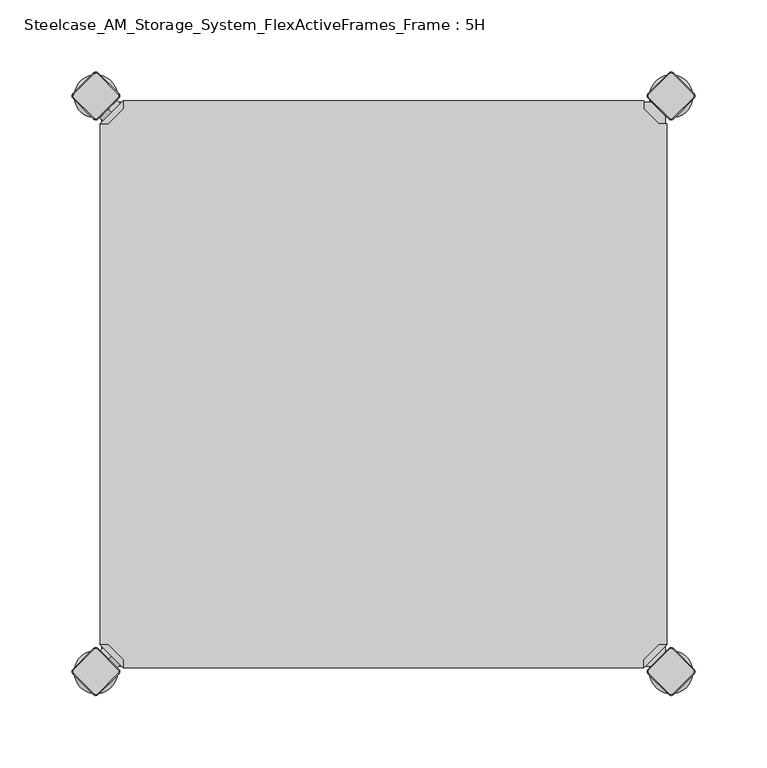
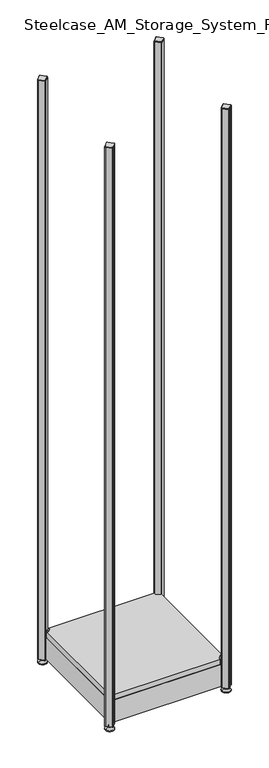
"""IFC4 building model written with IfcOpenShell, lengths in millimetres: furniture geometry, Steelcase_AM_Storage_System_FlexActiveFrames_Frame : 5H."""

from ifc_helpers import new_model, si_unit, point, frame, frame_2d, origin, place, context, project, spatial, polyline, circle_curve, trimmed, segment, composite_curve, outline, extrude, source, transform, mapped, element, save
from ifc_brep_helpers import plane_surface, cylinder_surface, revolved_surface, advanced_brep


def steelcase_am_storage_system_flexactiveframes_frame_5h_c53b9651(model_context):
    return source(origin(), model_context, "Body", "SolidModel", [
        advanced_brep(
        [(381.0796898, -397.0, 117.0), (397.0, -381.0796898, 117.0), (391.3431458, -381.0796898, 117.0), (381.0796898, -391.3431458, 117.0), (381.0796898, -397.0, 98.0), (381.0796898, -397.0, 97.0), (397.0, -381.0796898, 97.0), (397.0, -381.0796898, 98.0), (391.3431458, -381.0796898, 98.0), (381.0796898, -391.3431458, 98.0), (368.1906025, -352.2702923, 98.0), (352.2702923, -368.1906025, 98.0), (352.2702923, -368.1906025, 97.0), (368.1906025, -352.2702923, 97.0)],
        [
            (0, 1),
            (1, 2),
            (2, 3),
            (3, 0),
            (0, 4),
            (4, 5),
            (5, 6),
            (6, 7),
            (7, 1),
            (2, 8),
            (8, 9),
            (9, 3),
            (9, 4),
            (7, 8),
            (7, 10),
            (10, 11, circle_curve(frame((360.2304474, -360.2304474, 98.0), z_axis=(0.0, 0.0, 1.0), x_axis=(-1.0, 0.0, 0.0)), 11.2573593)),
            (11, 4),
            (5, 12),
            (12, 13, circle_curve(frame((360.2304474, -360.2304474, 97.0), z_axis=(0.0, 0.0, -1.0), x_axis=(-1.0, 0.0, 0.0)), 11.2573593)),
            (13, 6),
            (13, 10),
            (12, 11),
        ],
        [
            plane_surface(frame((438.8756299, -339.2040599, 117.0), z_axis=(0.0, 0.0, 1.0000000000000002), x_axis=(0.7071067811865511, 0.707106781186544, 0.0))),
            plane_surface(frame((381.0796898, -397.0, 117.0), z_axis=(0.707106781186544, -0.7071067811865511, 0.0), x_axis=(0.0, 0.0, -1.0))),
            plane_surface(frame((391.3431458, -381.0796898, 117.0), z_axis=(-0.7071067811865527, 0.7071067811865424, 0.0), x_axis=(0.0, 0.0, -1.0))),
            plane_surface(frame((381.0796898, -391.3431458, 117.0), z_axis=(-1.0, 0.0, 0.0), x_axis=(0.0, 0.0, -1.0))),
            plane_surface(frame((397.0, -381.0796898, 117.0), z_axis=(0.0, 1.0, 0.0), x_axis=(0.0, 0.0, -1.0))),
            plane_surface(frame((397.0, -381.0796898, 98.0), z_axis=(0.0, 0.0, 1.0), x_axis=(0.7071067811865439, 0.7071067811865511, 0.0))),
            plane_surface(frame((397.0, -381.0796898, 97.0), z_axis=(0.0, 0.0, -1.0), x_axis=(-0.7071067811865439, -0.7071067811865511, 0.0))),
            plane_surface(frame((397.0, -381.0796898, 98.0), z_axis=(0.7071067811865446, 0.7071067811865506, 0.0), x_axis=(0.0, 0.0, -1.0))),
            cylinder_surface(frame((360.2304474, -360.2304474, 97.0), z_axis=(0.0, 0.0, 1.0), x_axis=(-1.0, 0.0, 0.0)), 11.2573593),
            plane_surface(frame((352.2702923, -368.1906025, 98.0), z_axis=(-0.7071067811865435, -0.7071067811865517, 0.0), x_axis=(0.0, 0.0, -1.0))),
        ],
        [
            (0, [[1, 2, 3, 4]]),
            (1, [[-1, 5, 6, 7, 8, 9]]),
            (2, [[-3, 10, 11, 12]]),
            (3, [[-4, -12, 13, -5]]),
            (4, [[-2, -9, 14, -10]]),
            (5, [[15, 16, 17, -13, -11, -14]]),
            (6, [[18, 19, 20, -7]]),
            (7, [[-15, -8, -20, 21]]),
            (8, [[-16, -21, -19, 22]]),
            (9, [[-17, -22, -18, -6]]),
        ],
    ),
        advanced_brep(
        [(10.9601551, -389.0398449, 98.5), (10.9601551, -389.0398449, 107.0), (10.9601551, -389.0398449, 115.5), (8.8388348, -391.1611652, 98.5), (8.8388348, -391.1611652, 115.5), (8.8388348, -391.1611652, 107.0)],
        [
            (0, 1),
            (1, 2),
            (2, 0, circle_curve(frame((10.9601551, -389.0398449, 107.0), z_axis=(0.7071067811865509, 0.7071067811865441, 0.0), x_axis=(0.0, 0.0, 1.0)), 8.5)),
            (0, 2, circle_curve(frame((10.9601551, -389.0398449, 107.0), z_axis=(0.7071067811865509, 0.7071067811865441, 0.0), x_axis=(0.0, 0.0, 1.0)), 8.5)),
            (3, 0),
            (2, 4),
            (4, 3, circle_curve(frame((8.8388348, -391.1611652, 107.0), z_axis=(0.7071067811865509, 0.7071067811865441, 0.0), x_axis=(0.0, 0.0, 1.0)), 8.5)),
            (3, 4, circle_curve(frame((8.8388348, -391.1611652, 107.0), z_axis=(0.7071067811865509, 0.7071067811865441, 0.0), x_axis=(0.0, 0.0, 1.0)), 8.5)),
            (5, 3),
            (4, 5),
        ],
        [
            plane_surface(frame((10.9601551, -389.0398449, 107.0), z_axis=(0.7071067811865506, 0.7071067811865446, 0.0), x_axis=(0.0, 0.0, 1.0))),
            cylinder_surface(frame((8.8388348, -391.1611652, 107.0), z_axis=(-0.7071067811865509, -0.7071067811865441, 0.0), x_axis=(0.0, 0.0, 1.0)), 8.5),
            plane_surface(frame((8.8388348, -391.1611652, 107.0), z_axis=(-0.7071067811865506, -0.7071067811865446, 0.0), x_axis=(0.0, 0.0, 1.0))),
        ],
        [
            (0, [[1, 2, 3]]),
            (0, [[-2, -1, 4]]),
            (1, [[5, -3, 6, 7]]),
            (1, [[-6, -4, -5, 8]]),
            (2, [[9, -7, 10]]),
            (2, [[-10, -8, -9]]),
        ],
    ),
        advanced_brep(
        [(18.9203102, -397.0, 117.0), (18.9203102, -391.3431458, 117.0), (8.6568542, -381.0796898, 117.0), (3.0, -381.0796898, 117.0), (3.0, -381.0796898, 98.0), (3.0, -381.0796898, 97.0), (18.9203102, -397.0, 97.0), (18.9203102, -397.0, 98.0), (18.9203102, -391.3431458, 98.0), (8.6568542, -381.0796898, 98.0), (47.7297077, -368.1906025, 98.0), (31.8093975, -352.2702923, 98.0), (31.8093975, -352.2702923, 97.0), (47.7297077, -368.1906025, 97.0)],
        [
            (0, 1),
            (1, 2),
            (2, 3),
            (3, 0),
            (3, 4),
            (4, 5),
            (5, 6),
            (6, 7),
            (7, 0),
            (1, 8),
            (8, 9),
            (9, 2),
            (7, 8),
            (9, 4),
            (7, 10),
            (10, 11, circle_curve(frame((39.7695526, -360.2304474, 98.0), z_axis=(0.0, 0.0, 1.0), x_axis=(1.0, 0.0, 0.0)), 11.2573593)),
            (11, 4),
            (5, 12),
            (12, 13, circle_curve(frame((39.7695526, -360.2304474, 97.0), z_axis=(0.0, 0.0, -1.0), x_axis=(1.0, 0.0, 0.0)), 11.2573593)),
            (13, 6),
            (11, 12),
            (10, 13),
        ],
        [
            plane_surface(frame((-38.8756299, -339.2040599, 117.0), z_axis=(0.0, 0.0, 1.0000000000000002), x_axis=(-0.7071067811865511, 0.707106781186544, 0.0))),
            plane_surface(frame((18.9203102, -397.0, 117.0), z_axis=(-0.707106781186544, -0.7071067811865511, 0.0), x_axis=(0.0, 0.0, -1.0))),
            plane_surface(frame((8.6568542, -381.0796898, 117.0), z_axis=(0.7071067811865527, 0.7071067811865424, 0.0), x_axis=(0.0, 0.0, -1.0))),
            plane_surface(frame((18.9203102, -391.3431458, 117.0), z_axis=(1.0, 0.0, 0.0), x_axis=(0.0, 0.0, -1.0))),
            plane_surface(frame((3.0, -381.0796898, 117.0), z_axis=(0.0, 1.0, 0.0), x_axis=(0.0, 0.0, -1.0))),
            plane_surface(frame((3.0, -381.0796898, 98.0), z_axis=(0.0, 0.0, 1.0), x_axis=(-0.7071067811865439, 0.7071067811865511, 0.0))),
            plane_surface(frame((3.0, -381.0796898, 97.0), z_axis=(0.0, 0.0, -1.0), x_axis=(0.7071067811865439, -0.7071067811865511, 0.0))),
            plane_surface(frame((3.0, -381.0796898, 98.0), z_axis=(-0.7071067811865446, 0.7071067811865506, 0.0), x_axis=(0.0, 0.0, -1.0))),
            cylinder_surface(frame((39.7695526, -360.2304474, 97.0), z_axis=(0.0, 0.0, 1.0), x_axis=(1.0, 0.0, 0.0)), 11.2573593),
            plane_surface(frame((47.7297077, -368.1906025, 98.0), z_axis=(0.7071067811865435, -0.7071067811865517, 0.0), x_axis=(0.0, 0.0, -1.0))),
        ],
        [
            (0, [[1, 2, 3, 4]]),
            (1, [[5, 6, 7, 8, 9, -4]]),
            (2, [[10, 11, 12, -2]]),
            (3, [[-9, 13, -10, -1]]),
            (4, [[-12, 14, -5, -3]]),
            (5, [[-14, -11, -13, 15, 16, 17]]),
            (6, [[-7, 18, 19, 20]]),
            (7, [[21, -18, -6, -17]]),
            (8, [[22, -19, -21, -16]]),
            (9, [[-8, -20, -22, -15]]),
        ],
    ),
        advanced_brep(
        [(10.9601551, -10.9601551, 98.5), (10.9601551, -10.9601551, 115.5), (10.9601551, -10.9601551, 107.0), (8.8388348, -8.8388348, 98.5), (8.8388348, -8.8388348, 115.5), (8.8388348, -8.8388348, 107.0)],
        [
            (0, 1, circle_curve(frame((10.9601551, -10.9601551, 107.0), z_axis=(0.7071067811865464, -0.7071067811865487, 0.0), x_axis=(0.0, 0.0, 1.0)), 8.5)),
            (1, 2),
            (2, 0),
            (1, 0, circle_curve(frame((10.9601551, -10.9601551, 107.0), z_axis=(0.7071067811865464, -0.7071067811865487, 0.0), x_axis=(0.0, 0.0, 1.0)), 8.5)),
            (3, 4, circle_curve(frame((8.8388348, -8.8388348, 107.0), z_axis=(0.7071067811865464, -0.7071067811865487, 0.0), x_axis=(0.0, 0.0, 1.0)), 8.5)),
            (4, 1),
            (0, 3),
            (4, 3, circle_curve(frame((8.8388348, -8.8388348, 107.0), z_axis=(0.7071067811865464, -0.7071067811865487, 0.0), x_axis=(0.0, 0.0, 1.0)), 8.5)),
            (5, 4),
            (3, 5),
        ],
        [
            plane_surface(frame((10.9601551, -10.9601551, 107.0), z_axis=(0.707106781186546, -0.7071067811865491, 0.0), x_axis=(0.0, 0.0, 1.0))),
            cylinder_surface(frame((8.8388348, -8.8388348, 107.0), z_axis=(-0.7071067811865464, 0.7071067811865487, 0.0), x_axis=(0.0, 0.0, 1.0)), 8.5),
            plane_surface(frame((8.8388348, -8.8388348, 107.0), z_axis=(-0.707106781186546, 0.7071067811865491, 0.0), x_axis=(0.0, 0.0, 1.0))),
        ],
        [
            (0, [[1, 2, 3]]),
            (0, [[4, -3, -2]]),
            (1, [[5, 6, -1, 7]]),
            (1, [[8, -7, -4, -6]]),
            (2, [[9, -5, 10]]),
            (2, [[-10, -8, -9]]),
        ],
    ),
        advanced_brep(
        [(18.9203102, -3.0, 117.0), (3.0, -18.9203102, 117.0), (8.6568542, -18.9203102, 117.0), (18.9203102, -8.6568542, 117.0), (18.9203102, -3.0, 98.0), (18.9203102, -3.0, 97.0), (3.0, -18.9203102, 97.0), (3.0, -18.9203102, 98.0), (8.6568542, -18.9203102, 98.0), (18.9203102, -8.6568542, 98.0), (31.8093975, -47.7297077, 98.0), (47.7297077, -31.8093975, 98.0), (47.7297077, -31.8093975, 97.0), (31.8093975, -47.7297077, 97.0)],
        [
            (0, 1),
            (1, 2),
            (2, 3),
            (3, 0),
            (0, 4),
            (4, 5),
            (5, 6),
            (6, 7),
            (7, 1),
            (2, 8),
            (8, 9),
            (9, 3),
            (9, 4),
            (7, 8),
            (7, 10),
            (10, 11, circle_curve(frame((39.7695526, -39.7695526, 98.0), z_axis=(0.0, 0.0, 1.0), x_axis=(1.0, 0.0, 0.0)), 11.2573593)),
            (11, 4),
            (5, 12),
            (12, 13, circle_curve(frame((39.7695526, -39.7695526, 97.0), z_axis=(0.0, 0.0, -1.0), x_axis=(1.0, 0.0, 0.0)), 11.2573593)),
            (13, 6),
            (13, 10),
            (12, 11),
        ],
        [
            plane_surface(frame((-38.8756299, -60.7959401, 117.0), z_axis=(0.0, 0.0, 1.0000000000000002), x_axis=(-0.7071067811865557, -0.7071067811865395, 0.0))),
            plane_surface(frame((18.9203102, -3.0, 117.0), z_axis=(-0.7071067811865395, 0.7071067811865557, 0.0), x_axis=(0.0, 0.0, -1.0))),
            plane_surface(frame((8.6568542, -18.9203102, 117.0), z_axis=(0.7071067811865481, -0.7071067811865469, 0.0), x_axis=(0.0, 0.0, -1.0))),
            plane_surface(frame((18.9203102, -8.6568542, 117.0), z_axis=(1.0, 0.0, 0.0), x_axis=(0.0, 0.0, -1.0))),
            plane_surface(frame((3.0, -18.9203102, 117.0), z_axis=(0.0, -1.0, 0.0), x_axis=(0.0, 0.0, -1.0))),
            plane_surface(frame((3.0, -18.9203102, 98.0), z_axis=(0.0, 0.0, 1.0), x_axis=(-0.7071067811865485, -0.7071067811865466, 0.0))),
            plane_surface(frame((3.0, -18.9203102, 97.0), z_axis=(0.0, 0.0, -1.0), x_axis=(0.7071067811865485, 0.7071067811865466, 0.0))),
            plane_surface(frame((3.0, -18.9203102, 98.0), z_axis=(-0.7071067811865491, -0.707106781186546, 0.0), x_axis=(0.0, 0.0, -1.0))),
            cylinder_surface(frame((39.7695526, -39.7695526, 97.0), z_axis=(0.0, 0.0, 1.0), x_axis=(1.0, 0.0, 0.0)), 11.2573593),
            plane_surface(frame((47.7297077, -31.8093975, 98.0), z_axis=(0.707106781186548, 0.7071067811865471, 0.0), x_axis=(0.0, 0.0, -1.0))),
        ],
        [
            (0, [[1, 2, 3, 4]]),
            (1, [[-1, 5, 6, 7, 8, 9]]),
            (2, [[-3, 10, 11, 12]]),
            (3, [[-4, -12, 13, -5]]),
            (4, [[-2, -9, 14, -10]]),
            (5, [[15, 16, 17, -13, -11, -14]]),
            (6, [[18, 19, 20, -7]]),
            (7, [[-15, -8, -20, 21]]),
            (8, [[-16, -21, -19, 22]]),
            (9, [[-17, -22, -18, -6]]),
        ],
    ),
        extrude(outline(polyline([(381.0796898, -3.0), (381.0796898, -8.6568542), (391.3431458, -18.9203102), (397.0, -18.9203102), (397.0, -381.0796898), (391.3431458, -381.0796898), (381.0796898, -391.3431458), (381.0796898, -397.0), (18.9203102, -397.0), (18.9203102, -391.3431458), (8.6568542, -381.0796898), (3.0, -381.0796898), (3.0, -18.9203102), (8.6568542, -18.9203102), (18.9203102, -8.6568542), (18.9203102, -3.0), (381.0796898, -3.0)])), frame((0.0, 0.0, 98.0), z_axis=(0.0, 0.0, 1.0), x_axis=(1.0, 0.0, 0.0)), (0.0, 0.0, 1.0), 19.0),
        advanced_brep(
        [(385.0, -400.0, 0.0), (415.0, -400.0, 0.0), (400.0, -400.0, 0.0), (385.0, -400.0, 2.0), (415.0, -400.0, 2.0), (392.0, -400.0, 9.0), (408.0, -400.0, 9.0), (396.0, -400.0, 9.0), (404.0, -400.0, 9.0), (396.0, -400.0, 15.0), (404.0, -400.0, 15.0), (400.0, -400.0, 15.0)],
        [
            (0, 1, circle_curve(frame((400.0, -400.0, 0.0), z_axis=(0.0, 0.0, -1.0), x_axis=(1.0, 0.0, 0.0)), 15.0)),
            (1, 2),
            (2, 0),
            (1, 0, circle_curve(frame((400.0, -400.0, 0.0), z_axis=(0.0, 0.0, -1.0), x_axis=(1.0, 0.0, 0.0)), 15.0)),
            (3, 4, circle_curve(frame((400.0, -400.0, 2.0), z_axis=(0.0, 0.0, -1.0), x_axis=(1.0, 0.0, 0.0)), 15.0)),
            (4, 1),
            (0, 3),
            (4, 3, circle_curve(frame((400.0, -400.0, 2.0), z_axis=(0.0, 0.0, -1.0), x_axis=(1.0, 0.0, 0.0)), 15.0)),
            (5, 6, circle_curve(frame((400.0, -400.0, 9.0), z_axis=(0.0, 0.0, -1.0), x_axis=(1.0, 0.0, 0.0)), 8.0)),
            (6, 4),
            (3, 5),
            (6, 5, circle_curve(frame((400.0, -400.0, 9.0), z_axis=(0.0, 0.0, -1.0), x_axis=(1.0, 0.0, 0.0)), 8.0)),
            (7, 8, circle_curve(frame((400.0, -400.0, 9.0), z_axis=(0.0, 0.0, -1.0), x_axis=(1.0, 0.0, 0.0)), 4.0)),
            (8, 6),
            (5, 7),
            (8, 7, circle_curve(frame((400.0, -400.0, 9.0), z_axis=(0.0, 0.0, -1.0), x_axis=(1.0, 0.0, 0.0)), 4.0)),
            (9, 10, circle_curve(frame((400.0, -400.0, 15.0), z_axis=(0.0, 0.0, -1.0), x_axis=(1.0, 0.0, 0.0)), 4.0)),
            (10, 8),
            (7, 9),
            (10, 9, circle_curve(frame((400.0, -400.0, 15.0), z_axis=(0.0, 0.0, -1.0), x_axis=(1.0, 0.0, 0.0)), 4.0)),
            (11, 10),
            (9, 11),
        ],
        [
            plane_surface(frame((400.0, -400.0, 0.0), z_axis=(0.0, 0.0, -1.0), x_axis=(1.0, 0.0, 0.0))),
            cylinder_surface(frame((400.0, -400.0, 18.6083303), z_axis=(0.0, 0.0, 1.0), x_axis=(1.0, 0.0, 0.0)), 15.0),
            revolved_surface(polyline([(415.0, -400.0, 2.0), (408.0, -400.0, 9.0)]), (400.0, -400.0, 18.6083303), (0.0, 0.0, 1.0)),
            plane_surface(frame((400.0, -400.0, 9.0), z_axis=(0.0, 0.0, 1.0), x_axis=(1.0, 0.0, 0.0))),
            cylinder_surface(frame((400.0, -400.0, 18.6083303), z_axis=(0.0, 0.0, 1.0), x_axis=(1.0, 0.0, 0.0)), 4.0),
            plane_surface(frame((400.0, -400.0, 15.0), z_axis=(0.0, 0.0, 1.0), x_axis=(1.0, 0.0, 0.0))),
        ],
        [
            (0, [[1, 2, 3]]),
            (0, [[4, -3, -2]]),
            (1, [[5, 6, -1, 7]]),
            (1, [[8, -7, -4, -6]]),
            (2, [[9, 10, -5, 11]]),
            (2, [[12, -11, -8, -10]]),
            (3, [[13, 14, -9, 15]]),
            (3, [[16, -15, -12, -14]]),
            (4, [[17, 18, -13, 19]]),
            (4, [[20, -19, -16, -18]]),
            (5, [[21, -17, 22]]),
            (5, [[-22, -20, -21]]),
        ],
    ),
        advanced_brep(
        [(398.7979185, -384.6557828, 2117.0), (384.6557828, -398.7979185, 2117.0), (384.6557828, -401.2020815, 2117.0), (398.7979185, -415.3442172, 2117.0), (401.2020815, -415.3442172, 2117.0), (415.3442172, -401.2020815, 2117.0), (415.3442172, -398.7979185, 2117.0), (401.2020815, -384.6557828, 2117.0), (398.232233, -384.0900974, 2115.0), (401.767767, -384.0900974, 2115.0), (415.9099026, -398.232233, 2115.0), (415.9099026, -401.767767, 2115.0), (401.767767, -415.9099026, 2115.0), (398.232233, -415.9099026, 2115.0), (384.0900974, -401.767767, 2115.0), (384.0900974, -398.232233, 2115.0)],
        [
            (0, 1),
            (1, 2, circle_curve(frame((385.8578644, -400.0, 2117.0), z_axis=(0.0, 0.0, 1.0), x_axis=(-0.7071067811865537, 0.7071067811865414, 0.0)), 1.7)),
            (2, 3),
            (3, 4, circle_curve(frame((400.0, -414.1421356, 2117.0), z_axis=(0.0, 0.0, 1.0), x_axis=(-0.7071067811865491, -0.707106781186546, 0.0)), 1.7)),
            (4, 5),
            (5, 6, circle_curve(frame((414.1421356, -400.0, 2117.0), z_axis=(0.0, 0.0, 1.0), x_axis=(0.707106781186539, -0.7071067811865559, 0.0)), 1.7)),
            (6, 7),
            (7, 0, circle_curve(frame((400.0, -385.8578644, 2117.0), z_axis=(0.0, 0.0, 1.0), x_axis=(0.7071067811865458, 0.7071067811865492, 0.0)), 1.7)),
            (8, 9, circle_curve(frame((400.0, -385.8578644, 2115.0), z_axis=(0.0, 0.0, -1.0), x_axis=(0.7071067811865458, 0.7071067811865492, 0.0)), 2.5)),
            (9, 10),
            (10, 11, circle_curve(frame((414.1421356, -400.0, 2115.0), z_axis=(0.0, 0.0, -1.0), x_axis=(0.707106781186539, -0.7071067811865559, 0.0)), 2.5)),
            (11, 12),
            (12, 13, circle_curve(frame((400.0, -414.1421356, 2115.0), z_axis=(0.0, 0.0, -1.0), x_axis=(-0.7071067811865491, -0.707106781186546, 0.0)), 2.5)),
            (13, 14),
            (14, 15, circle_curve(frame((385.8578644, -400.0, 2115.0), z_axis=(0.0, 0.0, -1.0), x_axis=(-0.7071067811865537, 0.7071067811865414, 0.0)), 2.5)),
            (15, 8),
            (15, 1),
            (0, 8),
            (14, 2),
            (13, 3),
            (12, 4),
            (11, 5),
            (10, 6),
            (9, 7),
        ],
        [
            plane_surface(frame((400.0, -400.0, 2117.0), z_axis=(0.0, 0.0, 1.0), x_axis=(-0.7071067811865486, 0.7071067811865466, 0.0))),
            plane_surface(frame((400.0, -400.0, 2115.0), z_axis=(0.0, 0.0, -1.0), x_axis=(-0.7071067811865486, 0.7071067811865466, 0.0))),
            plane_surface(frame((391.1611652, -391.1611652, 2115.0), z_axis=(-0.6565321642986406, 0.656532164298628, 0.3713906763540281), x_axis=(-0.7071067811865408, -0.7071067811865543, 0.0))),
            revolved_surface(polyline([(384.65578284, -398.79791844, 2117.0), (384.0900974, -398.232233, 2115.0)]), (385.8578644, -400.0, 2121.25), (0.0, 0.0, -1.0)),
            plane_surface(frame((391.1611652, -408.8388348, 2115.0), z_axis=(-0.6565321642986325, -0.6565321642986414, 0.3713906763540188), x_axis=(0.7071067811865523, -0.7071067811865428, 0.0))),
            revolved_surface(polyline([(398.79791844, -415.34421716, 2117.0), (398.232233, -415.9099026, 2115.0)]), (400.0, -414.1421356, 2121.25), (0.0, 0.0, -1.0)),
            plane_surface(frame((408.8388348, -408.8388348, 2115.0), z_axis=(0.6565321642986457, -0.6565321642986508, 0.3713906763539787), x_axis=(0.7071067811865541, 0.707106781186541, 0.0))),
            revolved_surface(polyline([(415.34421716, -401.20208156, 2117.0), (415.9099026, -401.767767, 2115.0)]), (414.1421356, -400.0, 2121.25), (0.0, 0.0, -1.0)),
            plane_surface(frame((408.8388348, -391.1611652, 2115.0), z_axis=(0.656532164298657, 0.6565321642986371, 0.37139067635398293), x_axis=(-0.7071067811865407, 0.7071067811865545, 0.0))),
            revolved_surface(polyline([(401.20208156, -384.65578284, 2117.0), (401.767767, -384.0900974, 2115.0)]), (400.0, -385.8578644, 2121.25), (0.0, 0.0, -1.0)),
        ],
        [
            (0, [[1, 2, 3, 4, 5, 6, 7, 8]]),
            (1, [[9, 10, 11, 12, 13, 14, 15, 16]]),
            (2, [[-16, 17, -1, 18]]),
            (3, [[-15, 19, -2, -17]]),
            (4, [[-14, 20, -3, -19]]),
            (5, [[-13, 21, -4, -20]]),
            (6, [[-12, 22, -5, -21]]),
            (7, [[-11, 23, -6, -22]]),
            (8, [[-10, 24, -7, -23]]),
            (9, [[-9, -18, -8, -24]]),
        ],
    ),
        extrude(outline(composite_curve([segment(trimmed(circle_curve(frame_2d((414.1421356, -400.0)), 2.5), [point((415.9099026, -398.232233))], [point((415.9099026, -401.767767))], False, "CARTESIAN"), True, "CONTINUOUS"), segment(polyline([(415.9099026, -401.767767), (401.767767, -415.9099026)]), True, "CONTINUOUS"), segment(trimmed(circle_curve(frame_2d((400.0, -414.1421356)), 2.5), [point((401.767767, -415.9099026))], [point((398.232233, -415.9099026))], False, "CARTESIAN"), True, "CONTINUOUS"), segment(polyline([(398.232233, -415.9099026), (384.0900974, -401.767767)]), True, "CONTINUOUS"), segment(trimmed(circle_curve(frame_2d((385.8578644, -400.0)), 2.5), [point((384.0900974, -401.767767))], [point((384.0900974, -398.232233))], False, "CARTESIAN"), True, "CONTINUOUS"), segment(polyline([(384.0900974, -398.232233), (398.232233, -384.0900974)]), True, "CONTINUOUS"), segment(trimmed(circle_curve(frame_2d((400.0, -385.8578644)), 2.5), [point((398.232233, -384.0900974))], [point((401.767767, -384.0900974))], False, "CARTESIAN"), True, "CONTINUOUS"), segment(polyline([(401.767767, -384.0900974), (415.9099026, -398.232233)]), True, "CONTINUOUS")], self_intersect=False)), frame((0.0, 0.0, 15.0), z_axis=(0.0, 0.0, 1.0), x_axis=(1.0, 0.0, 0.0)), (0.0, 0.0, 1.0), 2100.0),
        advanced_brep(
        [(385.0, 0.0, 0.0), (415.0, 0.0, 0.0), (400.0, 0.0, 0.0), (385.0, 0.0, 2.0), (415.0, 0.0, 2.0), (392.0, 0.0, 9.0), (408.0, 0.0, 9.0), (396.0, 0.0, 9.0), (404.0, 0.0, 9.0), (396.0, 0.0, 15.0), (404.0, 0.0, 15.0), (400.0, 0.0, 15.0)],
        [
            (0, 1, circle_curve(frame((400.0, 0.0, 0.0), z_axis=(0.0, 0.0, -1.0), x_axis=(1.0, 0.0, 0.0)), 15.0)),
            (1, 2),
            (2, 0),
            (1, 0, circle_curve(frame((400.0, 0.0, 0.0), z_axis=(0.0, 0.0, -1.0), x_axis=(1.0, 0.0, 0.0)), 15.0)),
            (3, 4, circle_curve(frame((400.0, 0.0, 2.0), z_axis=(0.0, 0.0, -1.0), x_axis=(1.0, 0.0, 0.0)), 15.0)),
            (4, 1),
            (0, 3),
            (4, 3, circle_curve(frame((400.0, 0.0, 2.0), z_axis=(0.0, 0.0, -1.0), x_axis=(1.0, 0.0, 0.0)), 15.0)),
            (5, 6, circle_curve(frame((400.0, 0.0, 9.0), z_axis=(0.0, 0.0, -1.0), x_axis=(1.0, 0.0, 0.0)), 8.0)),
            (6, 4),
            (3, 5),
            (6, 5, circle_curve(frame((400.0, 0.0, 9.0), z_axis=(0.0, 0.0, -1.0), x_axis=(1.0, 0.0, 0.0)), 8.0)),
            (7, 8, circle_curve(frame((400.0, 0.0, 9.0), z_axis=(0.0, 0.0, -1.0), x_axis=(1.0, 0.0, 0.0)), 4.0)),
            (8, 6),
            (5, 7),
            (8, 7, circle_curve(frame((400.0, 0.0, 9.0), z_axis=(0.0, 0.0, -1.0), x_axis=(1.0, 0.0, 0.0)), 4.0)),
            (9, 10, circle_curve(frame((400.0, 0.0, 15.0), z_axis=(0.0, 0.0, -1.0), x_axis=(1.0, 0.0, 0.0)), 4.0)),
            (10, 8),
            (7, 9),
            (10, 9, circle_curve(frame((400.0, 0.0, 15.0), z_axis=(0.0, 0.0, -1.0), x_axis=(1.0, 0.0, 0.0)), 4.0)),
            (11, 10),
            (9, 11),
        ],
        [
            plane_surface(frame((400.0, 0.0, 0.0), z_axis=(0.0, 0.0, -1.0), x_axis=(1.0, 0.0, 0.0))),
            cylinder_surface(frame((400.0, 0.0, 18.6083303), z_axis=(0.0, 0.0, 1.0), x_axis=(1.0, 0.0, 0.0)), 15.0),
            revolved_surface(polyline([(415.0, 0.0, 2.0), (408.0, 0.0, 9.0)]), (400.0, 0.0, 18.6083303), (0.0, 0.0, 1.0)),
            plane_surface(frame((400.0, 0.0, 9.0), z_axis=(0.0, 0.0, 1.0), x_axis=(1.0, 0.0, 0.0))),
            cylinder_surface(frame((400.0, 0.0, 18.6083303), z_axis=(0.0, 0.0, 1.0), x_axis=(1.0, 0.0, 0.0)), 4.0),
            plane_surface(frame((400.0, 0.0, 15.0), z_axis=(0.0, 0.0, 1.0), x_axis=(1.0, 0.0, 0.0))),
        ],
        [
            (0, [[1, 2, 3]]),
            (0, [[4, -3, -2]]),
            (1, [[5, 6, -1, 7]]),
            (1, [[8, -7, -4, -6]]),
            (2, [[9, 10, -5, 11]]),
            (2, [[12, -11, -8, -10]]),
            (3, [[13, 14, -9, 15]]),
            (3, [[16, -15, -12, -14]]),
            (4, [[17, 18, -13, 19]]),
            (4, [[20, -19, -16, -18]]),
            (5, [[21, -17, 22]]),
            (5, [[-22, -20, -21]]),
        ],
    ),
        advanced_brep(
        [(398.7979185, 15.3442172, 2117.0), (384.6557828, 1.2020815, 2117.0), (384.6557828, -1.2020815, 2117.0), (398.7979185, -15.3442172, 2117.0), (401.2020815, -15.3442172, 2117.0), (415.3442172, -1.2020815, 2117.0), (415.3442172, 1.2020815, 2117.0), (401.2020815, 15.3442172, 2117.0), (398.232233, 15.9099026, 2115.0), (401.767767, 15.9099026, 2115.0), (415.9099026, 1.767767, 2115.0), (415.9099026, -1.767767, 2115.0), (401.767767, -15.9099026, 2115.0), (398.232233, -15.9099026, 2115.0), (384.0900974, -1.767767, 2115.0), (384.0900974, 1.767767, 2115.0)],
        [
            (0, 1),
            (1, 2, circle_curve(frame((385.8578644, 0.0, 2117.0), z_axis=(0.0, 0.0, 1.0), x_axis=(-0.7071067811865537, 0.7071067811865414, 0.0)), 1.7)),
            (2, 3),
            (3, 4, circle_curve(frame((400.0, -14.1421356, 2117.0), z_axis=(0.0, 0.0, 1.0), x_axis=(-0.7071067811865491, -0.707106781186546, 0.0)), 1.7)),
            (4, 5),
            (5, 6, circle_curve(frame((414.1421356, 0.0, 2117.0), z_axis=(0.0, 0.0, 1.0), x_axis=(0.707106781186539, -0.7071067811865559, 0.0)), 1.7)),
            (6, 7),
            (7, 0, circle_curve(frame((400.0, 14.1421356, 2117.0), z_axis=(0.0, 0.0, 1.0), x_axis=(0.7071067811865458, 0.7071067811865492, 0.0)), 1.7)),
            (8, 9, circle_curve(frame((400.0, 14.1421356, 2115.0), z_axis=(0.0, 0.0, -1.0), x_axis=(0.7071067811865458, 0.7071067811865492, 0.0)), 2.5)),
            (9, 10),
            (10, 11, circle_curve(frame((414.1421356, 0.0, 2115.0), z_axis=(0.0, 0.0, -1.0), x_axis=(0.707106781186539, -0.7071067811865559, 0.0)), 2.5)),
            (11, 12),
            (12, 13, circle_curve(frame((400.0, -14.1421356, 2115.0), z_axis=(0.0, 0.0, -1.0), x_axis=(-0.7071067811865491, -0.707106781186546, 0.0)), 2.5)),
            (13, 14),
            (14, 15, circle_curve(frame((385.8578644, 0.0, 2115.0), z_axis=(0.0, 0.0, -1.0), x_axis=(-0.7071067811865537, 0.7071067811865414, 0.0)), 2.5)),
            (15, 8),
            (15, 1),
            (0, 8),
            (14, 2),
            (13, 3),
            (12, 4),
            (11, 5),
            (10, 6),
            (9, 7),
        ],
        [
            plane_surface(frame((400.0, 0.0, 2117.0), z_axis=(0.0, 0.0, 1.0), x_axis=(-0.7071067811865486, 0.7071067811865466, 0.0))),
            plane_surface(frame((400.0, 0.0, 2115.0), z_axis=(0.0, 0.0, -1.0), x_axis=(-0.7071067811865486, 0.7071067811865466, 0.0))),
            plane_surface(frame((391.1611652, 8.8388348, 2115.0), z_axis=(-0.6565321642986406, 0.656532164298628, 0.3713906763540281), x_axis=(-0.7071067811865408, -0.7071067811865543, 0.0))),
            revolved_surface(polyline([(384.65578284, 1.20208156, 2117.0), (384.0900974, 1.767767, 2115.0)]), (385.8578644, 0.0, 2121.25), (0.0, 0.0, -1.0)),
            plane_surface(frame((391.1611652, -8.8388348, 2115.0), z_axis=(-0.6565321642986325, -0.6565321642986414, 0.3713906763540188), x_axis=(0.7071067811865523, -0.7071067811865428, 0.0))),
            revolved_surface(polyline([(398.79791844, -15.34421716, 2117.0), (398.232233, -15.9099026, 2115.0)]), (400.0, -14.1421356, 2121.25), (0.0, 0.0, -1.0)),
            plane_surface(frame((408.8388348, -8.8388348, 2115.0), z_axis=(0.6565321642986457, -0.6565321642986508, 0.3713906763539787), x_axis=(0.7071067811865541, 0.707106781186541, 0.0))),
            revolved_surface(polyline([(415.34421716, -1.20208156, 2117.0), (415.9099026, -1.767767, 2115.0)]), (414.1421356, 0.0, 2121.25), (0.0, 0.0, -1.0)),
            plane_surface(frame((408.8388348, 8.8388348, 2115.0), z_axis=(0.656532164298657, 0.6565321642986371, 0.37139067635398293), x_axis=(-0.7071067811865407, 0.7071067811865545, 0.0))),
            revolved_surface(polyline([(401.20208156, 15.34421716, 2117.0), (401.767767, 15.9099026, 2115.0)]), (400.0, 14.1421356, 2121.25), (0.0, 0.0, -1.0)),
        ],
        [
            (0, [[1, 2, 3, 4, 5, 6, 7, 8]]),
            (1, [[9, 10, 11, 12, 13, 14, 15, 16]]),
            (2, [[-16, 17, -1, 18]]),
            (3, [[-15, 19, -2, -17]]),
            (4, [[-14, 20, -3, -19]]),
            (5, [[-13, 21, -4, -20]]),
            (6, [[-12, 22, -5, -21]]),
            (7, [[-11, 23, -6, -22]]),
            (8, [[-10, 24, -7, -23]]),
            (9, [[-9, -18, -8, -24]]),
        ],
    ),
        extrude(outline(composite_curve([segment(trimmed(circle_curve(frame_2d((414.1421356, 0.0)), 2.5), [point((415.9099026, 1.767767))], [point((415.9099026, -1.767767))], False, "CARTESIAN"), True, "CONTINUOUS"), segment(polyline([(415.9099026, -1.767767), (401.767767, -15.9099026)]), True, "CONTINUOUS"), segment(trimmed(circle_curve(frame_2d((400.0, -14.1421356)), 2.5), [point((401.767767, -15.9099026))], [point((398.232233, -15.9099026))], False, "CARTESIAN"), True, "CONTINUOUS"), segment(polyline([(398.232233, -15.9099026), (384.0900974, -1.767767)]), True, "CONTINUOUS"), segment(trimmed(circle_curve(frame_2d((385.8578644, 0.0)), 2.5), [point((384.0900974, -1.767767))], [point((384.0900974, 1.767767))], False, "CARTESIAN"), True, "CONTINUOUS"), segment(polyline([(384.0900974, 1.767767), (398.232233, 15.9099026)]), True, "CONTINUOUS"), segment(trimmed(circle_curve(frame_2d((400.0, 14.1421356)), 2.5), [point((398.232233, 15.9099026))], [point((401.767767, 15.9099026))], False, "CARTESIAN"), True, "CONTINUOUS"), segment(polyline([(401.767767, 15.9099026), (415.9099026, 1.767767)]), True, "CONTINUOUS")], self_intersect=False)), frame((0.0, 0.0, 15.0), z_axis=(0.0, 0.0, 1.0), x_axis=(1.0, 0.0, 0.0)), (0.0, 0.0, 1.0), 2100.0),
        advanced_brep(
        [(-15.0, -400.0, 0.0), (15.0, -400.0, 0.0), (0.0, -400.0, 0.0), (-15.0, -400.0, 2.0), (15.0, -400.0, 2.0), (-8.0, -400.0, 9.0), (8.0, -400.0, 9.0), (-4.0, -400.0, 9.0), (4.0, -400.0, 9.0), (-4.0, -400.0, 15.0), (4.0, -400.0, 15.0), (0.0, -400.0, 15.0)],
        [
            (0, 1, circle_curve(frame((0.0, -400.0, 0.0), z_axis=(0.0, 0.0, -1.0), x_axis=(1.0, 0.0, 0.0)), 15.0)),
            (1, 2),
            (2, 0),
            (1, 0, circle_curve(frame((0.0, -400.0, 0.0), z_axis=(0.0, 0.0, -1.0), x_axis=(1.0, 0.0, 0.0)), 15.0)),
            (3, 4, circle_curve(frame((0.0, -400.0, 2.0), z_axis=(0.0, 0.0, -1.0), x_axis=(1.0, 0.0, 0.0)), 15.0)),
            (4, 1),
            (0, 3),
            (4, 3, circle_curve(frame((0.0, -400.0, 2.0), z_axis=(0.0, 0.0, -1.0), x_axis=(1.0, 0.0, 0.0)), 15.0)),
            (5, 6, circle_curve(frame((0.0, -400.0, 9.0), z_axis=(0.0, 0.0, -1.0), x_axis=(1.0, 0.0, 0.0)), 8.0)),
            (6, 4),
            (3, 5),
            (6, 5, circle_curve(frame((0.0, -400.0, 9.0), z_axis=(0.0, 0.0, -1.0), x_axis=(1.0, 0.0, 0.0)), 8.0)),
            (7, 8, circle_curve(frame((0.0, -400.0, 9.0), z_axis=(0.0, 0.0, -1.0), x_axis=(1.0, 0.0, 0.0)), 4.0)),
            (8, 6),
            (5, 7),
            (8, 7, circle_curve(frame((0.0, -400.0, 9.0), z_axis=(0.0, 0.0, -1.0), x_axis=(1.0, 0.0, 0.0)), 4.0)),
            (9, 10, circle_curve(frame((0.0, -400.0, 15.0), z_axis=(0.0, 0.0, -1.0), x_axis=(1.0, 0.0, 0.0)), 4.0)),
            (10, 8),
            (7, 9),
            (10, 9, circle_curve(frame((0.0, -400.0, 15.0), z_axis=(0.0, 0.0, -1.0), x_axis=(1.0, 0.0, 0.0)), 4.0)),
            (11, 10),
            (9, 11),
        ],
        [
            plane_surface(frame((0.0, -400.0, 0.0), z_axis=(0.0, 0.0, -1.0), x_axis=(1.0, 0.0, 0.0))),
            cylinder_surface(frame((0.0, -400.0, 18.6083303), z_axis=(0.0, 0.0, 1.0), x_axis=(1.0, 0.0, 0.0)), 15.0),
            revolved_surface(polyline([(15.0, -400.0, 2.0), (8.0, -400.0, 9.0)]), (0.0, -400.0, 18.6083303), (0.0, 0.0, 1.0)),
            plane_surface(frame((0.0, -400.0, 9.0), z_axis=(0.0, 0.0, 1.0), x_axis=(1.0, 0.0, 0.0))),
            cylinder_surface(frame((0.0, -400.0, 18.6083303), z_axis=(0.0, 0.0, 1.0), x_axis=(1.0, 0.0, 0.0)), 4.0),
            plane_surface(frame((0.0, -400.0, 15.0), z_axis=(0.0, 0.0, 1.0), x_axis=(1.0, 0.0, 0.0))),
        ],
        [
            (0, [[1, 2, 3]]),
            (0, [[4, -3, -2]]),
            (1, [[5, 6, -1, 7]]),
            (1, [[8, -7, -4, -6]]),
            (2, [[9, 10, -5, 11]]),
            (2, [[12, -11, -8, -10]]),
            (3, [[13, 14, -9, 15]]),
            (3, [[16, -15, -12, -14]]),
            (4, [[17, 18, -13, 19]]),
            (4, [[20, -19, -16, -18]]),
            (5, [[21, -17, 22]]),
            (5, [[-22, -20, -21]]),
        ],
    ),
        advanced_brep(
        [(-1.2020815, -384.6557828, 2117.0), (-15.3442172, -398.7979185, 2117.0), (-15.3442172, -401.2020815, 2117.0), (-1.2020815, -415.3442172, 2117.0), (1.2020815, -415.3442172, 2117.0), (15.3442172, -401.2020815, 2117.0), (15.3442172, -398.7979185, 2117.0), (1.2020815, -384.6557828, 2117.0), (-1.767767, -384.0900974, 2115.0), (1.767767, -384.0900974, 2115.0), (15.9099026, -398.232233, 2115.0), (15.9099026, -401.767767, 2115.0), (1.767767, -415.9099026, 2115.0), (-1.767767, -415.9099026, 2115.0), (-15.9099026, -401.767767, 2115.0), (-15.9099026, -398.232233, 2115.0)],
        [
            (0, 1),
            (1, 2, circle_curve(frame((-14.1421356, -400.0, 2117.0), z_axis=(0.0, 0.0, 1.0), x_axis=(-0.7071067811865537, 0.7071067811865414, 0.0)), 1.7)),
            (2, 3),
            (3, 4, circle_curve(frame((0.0, -414.1421356, 2117.0), z_axis=(0.0, 0.0, 1.0), x_axis=(-0.7071067811865491, -0.707106781186546, 0.0)), 1.7)),
            (4, 5),
            (5, 6, circle_curve(frame((14.1421356, -400.0, 2117.0), z_axis=(0.0, 0.0, 1.0), x_axis=(0.707106781186539, -0.7071067811865559, 0.0)), 1.7)),
            (6, 7),
            (7, 0, circle_curve(frame((0.0, -385.8578644, 2117.0), z_axis=(0.0, 0.0, 1.0), x_axis=(0.7071067811865458, 0.7071067811865492, 0.0)), 1.7)),
            (8, 9, circle_curve(frame((0.0, -385.8578644, 2115.0), z_axis=(0.0, 0.0, -1.0), x_axis=(0.7071067811865458, 0.7071067811865492, 0.0)), 2.5)),
            (9, 10),
            (10, 11, circle_curve(frame((14.1421356, -400.0, 2115.0), z_axis=(0.0, 0.0, -1.0), x_axis=(0.707106781186539, -0.7071067811865559, 0.0)), 2.5)),
            (11, 12),
            (12, 13, circle_curve(frame((0.0, -414.1421356, 2115.0), z_axis=(0.0, 0.0, -1.0), x_axis=(-0.7071067811865491, -0.707106781186546, 0.0)), 2.5)),
            (13, 14),
            (14, 15, circle_curve(frame((-14.1421356, -400.0, 2115.0), z_axis=(0.0, 0.0, -1.0), x_axis=(-0.7071067811865537, 0.7071067811865414, 0.0)), 2.5)),
            (15, 8),
            (15, 1),
            (0, 8),
            (14, 2),
            (13, 3),
            (12, 4),
            (11, 5),
            (10, 6),
            (9, 7),
        ],
        [
            plane_surface(frame((0.0, -400.0, 2117.0), z_axis=(0.0, 0.0, 1.0), x_axis=(-0.7071067811865486, 0.7071067811865466, 0.0))),
            plane_surface(frame((0.0, -400.0, 2115.0), z_axis=(0.0, 0.0, -1.0), x_axis=(-0.7071067811865486, 0.7071067811865466, 0.0))),
            plane_surface(frame((-8.8388348, -391.1611652, 2115.0), z_axis=(-0.6565321642986406, 0.656532164298628, 0.3713906763540281), x_axis=(-0.7071067811865408, -0.7071067811865543, 0.0))),
            revolved_surface(polyline([(-15.34421716, -398.79791844, 2117.0), (-15.9099026, -398.232233, 2115.0)]), (-14.1421356, -400.0, 2121.25), (0.0, 0.0, -1.0)),
            plane_surface(frame((-8.8388348, -408.8388348, 2115.0), z_axis=(-0.6565321642986325, -0.6565321642986414, 0.3713906763540188), x_axis=(0.7071067811865523, -0.7071067811865428, 0.0))),
            revolved_surface(polyline([(-1.20208156, -415.34421716, 2117.0), (-1.767767, -415.9099026, 2115.0)]), (0.0, -414.1421356, 2121.25), (0.0, 0.0, -1.0)),
            plane_surface(frame((8.8388348, -408.8388348, 2115.0), z_axis=(0.6565321642986457, -0.6565321642986508, 0.3713906763539787), x_axis=(0.7071067811865541, 0.707106781186541, 0.0))),
            revolved_surface(polyline([(15.34421716, -401.20208156, 2117.0), (15.9099026, -401.767767, 2115.0)]), (14.1421356, -400.0, 2121.25), (0.0, 0.0, -1.0)),
            plane_surface(frame((8.8388348, -391.1611652, 2115.0), z_axis=(0.656532164298657, 0.6565321642986371, 0.37139067635398293), x_axis=(-0.7071067811865407, 0.7071067811865545, 0.0))),
            revolved_surface(polyline([(1.20208156, -384.65578284, 2117.0), (1.767767, -384.0900974, 2115.0)]), (0.0, -385.8578644, 2121.25), (0.0, 0.0, -1.0)),
        ],
        [
            (0, [[1, 2, 3, 4, 5, 6, 7, 8]]),
            (1, [[9, 10, 11, 12, 13, 14, 15, 16]]),
            (2, [[-16, 17, -1, 18]]),
            (3, [[-15, 19, -2, -17]]),
            (4, [[-14, 20, -3, -19]]),
            (5, [[-13, 21, -4, -20]]),
            (6, [[-12, 22, -5, -21]]),
            (7, [[-11, 23, -6, -22]]),
            (8, [[-10, 24, -7, -23]]),
            (9, [[-9, -18, -8, -24]]),
        ],
    ),
        extrude(outline(composite_curve([segment(trimmed(circle_curve(frame_2d((14.1421356, -400.0)), 2.5), [point((15.9099026, -398.232233))], [point((15.9099026, -401.767767))], False, "CARTESIAN"), True, "CONTINUOUS"), segment(polyline([(15.9099026, -401.767767), (1.767767, -415.9099026)]), True, "CONTINUOUS"), segment(trimmed(circle_curve(frame_2d((0.0, -414.1421356)), 2.5), [point((1.767767, -415.9099026))], [point((-1.767767, -415.9099026))], False, "CARTESIAN"), True, "CONTINUOUS"), segment(polyline([(-1.767767, -415.9099026), (-15.9099026, -401.767767)]), True, "CONTINUOUS"), segment(trimmed(circle_curve(frame_2d((-14.1421356, -400.0)), 2.5), [point((-15.9099026, -401.767767))], [point((-15.9099026, -398.232233))], False, "CARTESIAN"), True, "CONTINUOUS"), segment(polyline([(-15.9099026, -398.232233), (-1.767767, -384.0900974)]), True, "CONTINUOUS"), segment(trimmed(circle_curve(frame_2d((0.0, -385.8578644)), 2.5), [point((-1.767767, -384.0900974))], [point((1.767767, -384.0900974))], False, "CARTESIAN"), True, "CONTINUOUS"), segment(polyline([(1.767767, -384.0900974), (15.9099026, -398.232233)]), True, "CONTINUOUS")], self_intersect=False)), frame((0.0, 0.0, 15.0), z_axis=(0.0, 0.0, 1.0), x_axis=(1.0, 0.0, 0.0)), (0.0, 0.0, 1.0), 2100.0),
        advanced_brep(
        [(-15.0, 0.0, 0.0), (15.0, 0.0, 0.0), (0.0, 0.0, 0.0), (-15.0, 0.0, 2.0), (15.0, 0.0, 2.0), (-8.0, 0.0, 9.0), (8.0, 0.0, 9.0), (-4.0, 0.0, 9.0), (4.0, 0.0, 9.0), (-4.0, 0.0, 15.0), (4.0, 0.0, 15.0), (0.0, 0.0, 15.0)],
        [
            (0, 1, circle_curve(frame((0.0, 0.0, 0.0), z_axis=(0.0, 0.0, -1.0), x_axis=(1.0, 0.0, 0.0)), 15.0)),
            (1, 2),
            (2, 0),
            (1, 0, circle_curve(frame((0.0, 0.0, 0.0), z_axis=(0.0, 0.0, -1.0), x_axis=(1.0, 0.0, 0.0)), 15.0)),
            (3, 4, circle_curve(frame((0.0, 0.0, 2.0), z_axis=(0.0, 0.0, -1.0), x_axis=(1.0, 0.0, 0.0)), 15.0)),
            (4, 1),
            (0, 3),
            (4, 3, circle_curve(frame((0.0, 0.0, 2.0), z_axis=(0.0, 0.0, -1.0), x_axis=(1.0, 0.0, 0.0)), 15.0)),
            (5, 6, circle_curve(frame((0.0, 0.0, 9.0), z_axis=(0.0, 0.0, -1.0), x_axis=(1.0, 0.0, 0.0)), 8.0)),
            (6, 4),
            (3, 5),
            (6, 5, circle_curve(frame((0.0, 0.0, 9.0), z_axis=(0.0, 0.0, -1.0), x_axis=(1.0, 0.0, 0.0)), 8.0)),
            (7, 8, circle_curve(frame((0.0, 0.0, 9.0), z_axis=(0.0, 0.0, -1.0), x_axis=(1.0, 0.0, 0.0)), 4.0)),
            (8, 6),
            (5, 7),
            (8, 7, circle_curve(frame((0.0, 0.0, 9.0), z_axis=(0.0, 0.0, -1.0), x_axis=(1.0, 0.0, 0.0)), 4.0)),
            (9, 10, circle_curve(frame((0.0, 0.0, 15.0), z_axis=(0.0, 0.0, -1.0), x_axis=(1.0, 0.0, 0.0)), 4.0)),
            (10, 8),
            (7, 9),
            (10, 9, circle_curve(frame((0.0, 0.0, 15.0), z_axis=(0.0, 0.0, -1.0), x_axis=(1.0, 0.0, 0.0)), 4.0)),
            (11, 10),
            (9, 11),
        ],
        [
            plane_surface(frame((0.0, 0.0, 0.0), z_axis=(0.0, 0.0, -1.0), x_axis=(1.0, 0.0, 0.0))),
            cylinder_surface(frame((0.0, 0.0, 18.6083303), z_axis=(0.0, 0.0, 1.0), x_axis=(1.0, 0.0, 0.0)), 15.0),
            revolved_surface(polyline([(15.0, 0.0, 2.0), (8.0, 0.0, 9.0)]), (0.0, 0.0, 18.6083303), (0.0, 0.0, 1.0)),
            plane_surface(frame((0.0, 0.0, 9.0), z_axis=(0.0, 0.0, 1.0), x_axis=(1.0, 0.0, 0.0))),
            cylinder_surface(frame((0.0, 0.0, 18.6083303), z_axis=(0.0, 0.0, 1.0), x_axis=(1.0, 0.0, 0.0)), 4.0),
            plane_surface(frame((0.0, 0.0, 15.0), z_axis=(0.0, 0.0, 1.0), x_axis=(1.0, 0.0, 0.0))),
        ],
        [
            (0, [[1, 2, 3]]),
            (0, [[4, -3, -2]]),
            (1, [[5, 6, -1, 7]]),
            (1, [[8, -7, -4, -6]]),
            (2, [[9, 10, -5, 11]]),
            (2, [[12, -11, -8, -10]]),
            (3, [[13, 14, -9, 15]]),
            (3, [[16, -15, -12, -14]]),
            (4, [[17, 18, -13, 19]]),
            (4, [[20, -19, -16, -18]]),
            (5, [[21, -17, 22]]),
            (5, [[-22, -20, -21]]),
        ],
    ),
        advanced_brep(
        [(-1.2020815, 15.3442172, 2117.0), (-15.3442172, 1.2020815, 2117.0), (-15.3442172, -1.2020815, 2117.0), (-1.2020815, -15.3442172, 2117.0), (1.2020815, -15.3442172, 2117.0), (15.3442172, -1.2020815, 2117.0), (15.3442172, 1.2020815, 2117.0), (1.2020815, 15.3442172, 2117.0), (-1.767767, 15.9099026, 2115.0), (1.767767, 15.9099026, 2115.0), (15.9099026, 1.767767, 2115.0), (15.9099026, -1.767767, 2115.0), (1.767767, -15.9099026, 2115.0), (-1.767767, -15.9099026, 2115.0), (-15.9099026, -1.767767, 2115.0), (-15.9099026, 1.767767, 2115.0)],
        [
            (0, 1),
            (1, 2, circle_curve(frame((-14.1421356, 0.0, 2117.0), z_axis=(0.0, 0.0, 1.0), x_axis=(-0.7071067811865537, 0.7071067811865414, 0.0)), 1.7)),
            (2, 3),
            (3, 4, circle_curve(frame((0.0, -14.1421356, 2117.0), z_axis=(0.0, 0.0, 1.0), x_axis=(-0.7071067811865491, -0.707106781186546, 0.0)), 1.7)),
            (4, 5),
            (5, 6, circle_curve(frame((14.1421356, 0.0, 2117.0), z_axis=(0.0, 0.0, 1.0), x_axis=(0.707106781186539, -0.7071067811865559, 0.0)), 1.7)),
            (6, 7),
            (7, 0, circle_curve(frame((0.0, 14.1421356, 2117.0), z_axis=(0.0, 0.0, 1.0), x_axis=(0.7071067811865458, 0.7071067811865492, 0.0)), 1.7)),
            (8, 9, circle_curve(frame((0.0, 14.1421356, 2115.0), z_axis=(0.0, 0.0, -1.0), x_axis=(0.7071067811865458, 0.7071067811865492, 0.0)), 2.5)),
            (9, 10),
            (10, 11, circle_curve(frame((14.1421356, 0.0, 2115.0), z_axis=(0.0, 0.0, -1.0), x_axis=(0.707106781186539, -0.7071067811865559, 0.0)), 2.5)),
            (11, 12),
            (12, 13, circle_curve(frame((0.0, -14.1421356, 2115.0), z_axis=(0.0, 0.0, -1.0), x_axis=(-0.7071067811865491, -0.707106781186546, 0.0)), 2.5)),
            (13, 14),
            (14, 15, circle_curve(frame((-14.1421356, 0.0, 2115.0), z_axis=(0.0, 0.0, -1.0), x_axis=(-0.7071067811865537, 0.7071067811865414, 0.0)), 2.5)),
            (15, 8),
            (15, 1),
            (0, 8),
            (14, 2),
            (13, 3),
            (12, 4),
            (11, 5),
            (10, 6),
            (9, 7),
        ],
        [
            plane_surface(frame((0.0, 0.0, 2117.0), z_axis=(0.0, 0.0, 1.0), x_axis=(-0.7071067811865486, 0.7071067811865466, 0.0))),
            plane_surface(frame((0.0, 0.0, 2115.0), z_axis=(0.0, 0.0, -1.0), x_axis=(-0.7071067811865486, 0.7071067811865466, 0.0))),
            plane_surface(frame((-8.8388348, 8.8388348, 2115.0), z_axis=(-0.6565321642986406, 0.656532164298628, 0.3713906763540281), x_axis=(-0.7071067811865408, -0.7071067811865543, 0.0))),
            revolved_surface(polyline([(-15.34421716, 1.20208156, 2117.0), (-15.9099026, 1.767767, 2115.0)]), (-14.1421356, 0.0, 2121.25), (0.0, 0.0, -1.0)),
            plane_surface(frame((-8.8388348, -8.8388348, 2115.0), z_axis=(-0.6565321642986325, -0.6565321642986414, 0.3713906763540188), x_axis=(0.7071067811865523, -0.7071067811865428, 0.0))),
            revolved_surface(polyline([(-1.20208156, -15.34421716, 2117.0), (-1.767767, -15.9099026, 2115.0)]), (0.0, -14.1421356, 2121.25), (0.0, 0.0, -1.0)),
            plane_surface(frame((8.8388348, -8.8388348, 2115.0), z_axis=(0.6565321642986457, -0.6565321642986508, 0.3713906763539787), x_axis=(0.7071067811865541, 0.707106781186541, 0.0))),
            revolved_surface(polyline([(15.34421716, -1.20208156, 2117.0), (15.9099026, -1.767767, 2115.0)]), (14.1421356, 0.0, 2121.25), (0.0, 0.0, -1.0)),
            plane_surface(frame((8.8388348, 8.8388348, 2115.0), z_axis=(0.656532164298657, 0.6565321642986371, 0.37139067635398293), x_axis=(-0.7071067811865407, 0.7071067811865545, 0.0))),
            revolved_surface(polyline([(1.20208156, 15.34421716, 2117.0), (1.767767, 15.9099026, 2115.0)]), (0.0, 14.1421356, 2121.25), (0.0, 0.0, -1.0)),
        ],
        [
            (0, [[1, 2, 3, 4, 5, 6, 7, 8]]),
            (1, [[9, 10, 11, 12, 13, 14, 15, 16]]),
            (2, [[-16, 17, -1, 18]]),
            (3, [[-15, 19, -2, -17]]),
            (4, [[-14, 20, -3, -19]]),
            (5, [[-13, 21, -4, -20]]),
            (6, [[-12, 22, -5, -21]]),
            (7, [[-11, 23, -6, -22]]),
            (8, [[-10, 24, -7, -23]]),
            (9, [[-9, -18, -8, -24]]),
        ],
    ),
        extrude(outline(composite_curve([segment(trimmed(circle_curve(frame_2d((14.1421356, 0.0)), 2.5), [point((15.9099026, 1.767767))], [point((15.9099026, -1.767767))], False, "CARTESIAN"), True, "CONTINUOUS"), segment(polyline([(15.9099026, -1.767767), (1.767767, -15.9099026)]), True, "CONTINUOUS"), segment(trimmed(circle_curve(frame_2d((0.0, -14.1421356)), 2.5), [point((1.767767, -15.9099026))], [point((-1.767767, -15.9099026))], False, "CARTESIAN"), True, "CONTINUOUS"), segment(polyline([(-1.767767, -15.9099026), (-15.9099026, -1.767767)]), True, "CONTINUOUS"), segment(trimmed(circle_curve(frame_2d((-14.1421356, 0.0)), 2.5), [point((-15.9099026, -1.767767))], [point((-15.9099026, 1.767767))], False, "CARTESIAN"), True, "CONTINUOUS"), segment(polyline([(-15.9099026, 1.767767), (-1.767767, 15.9099026)]), True, "CONTINUOUS"), segment(trimmed(circle_curve(frame_2d((0.0, 14.1421356)), 2.5), [point((-1.767767, 15.9099026))], [point((1.767767, 15.9099026))], False, "CARTESIAN"), True, "CONTINUOUS"), segment(polyline([(1.767767, 15.9099026), (15.9099026, 1.767767)]), True, "CONTINUOUS")], self_intersect=False)), frame((0.0, 0.0, 15.0), z_axis=(0.0, 0.0, 1.0), x_axis=(1.0, 0.0, 0.0)), (0.0, 0.0, 1.0), 2100.0),
        extrude(outline(polyline([(4.0, -13.6776695), (13.6776695, -4.0), (386.3223305, -4.0), (396.0, -13.6776695), (396.0, -386.3223305), (386.3223305, -396.0), (13.6776695, -396.0), (4.0, -386.3223305), (4.0, -13.6776695)])), frame((0.0, 0.0, 16.0), z_axis=(0.0, 0.0, 1.0), x_axis=(1.0, 0.0, 0.0)), (0.0, 0.0, 1.0), 80.0),
    ])


if __name__ == "__main__":
    model = new_model("IFC4")
    model_context = context("Model", 3, world=origin())
    ifc_project = project(units=[si_unit("LENGTHUNIT", "METRE", prefix="MILLI")], contexts=[model_context])
    site = spatial("IfcSite", under=ifc_project)
    building = spatial("IfcBuilding", under=site)
    placement = place(None, origin())
    steelcase_am_storage_system_flexactiveframes_frame_5h_shape = steelcase_am_storage_system_flexactiveframes_frame_5h_c53b9651(model_context)
    element("IfcFurniture", 1, ObjectType="Steelcase_AM_Storage_System_FlexActiveFrames_Frame : 5H", at=placement, inside=building, context=model_context, shape_type="MappedRepresentation", body=[
        mapped(steelcase_am_storage_system_flexactiveframes_frame_5h_shape, transform((0.0, 0.0, 0.0), x_axis=(1.0, 0.0, 0.0), y_axis=(0.0, 1.0, 0.0), z_axis=(0.0, 0.0, 1.0))),
    ])
    save(model, "model.ifc")
